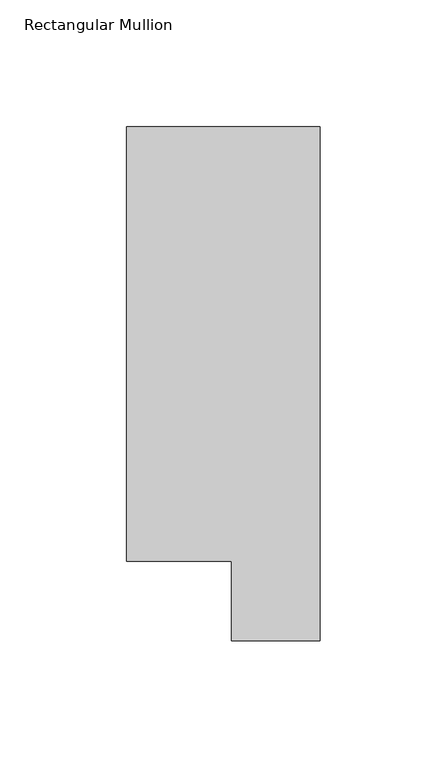
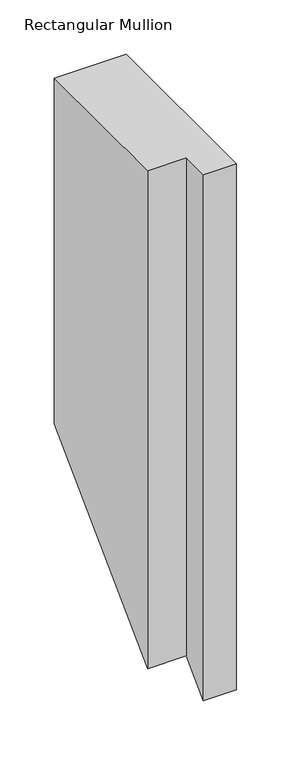
"""IFC4 building model written with IfcOpenShell, lengths in millimetres: member geometry, Rectangular Mullion."""

from ifc_helpers import new_model, si_unit, origin, place, context, project, spatial, faceted_brep, source, transform, mapped, element, save


def rectangular_mullion_b65d6d0e(model_context):
    return source(origin(), model_context, "Body", "Brep", [
        faceted_brep([(0.0, 222.0301313, 0.0), (-76.2, 222.0301313, 0.0), (-76.2, 50.820278, 0.0), (-34.9123, 50.820278, 0.0), (-34.9123, 19.5667312, 0.0), (0.0, 19.5667313, 0.0), (0.0, 222.0301313, -387.5381188), (-76.2, 222.0301313, -387.5381188), (-76.2, 50.820278, -558.747972), (-34.9123, 50.820278, -558.747972), (-34.9123, 19.5667312, -590.0015188), (0.0, 19.5667313, -590.0015188)], [[[0, 1, 2, 3, 4, 5]], [[1, 0, 6, 7]], [[2, 1, 7, 8]], [[3, 2, 8, 9]], [[4, 3, 9, 10]], [[5, 4, 10, 11]], [[0, 5, 11, 6]], [[6, 11, 10, 9, 8, 7]]]),
    ])


if __name__ == "__main__":
    model = new_model("IFC4")
    model_context = context("Model", 3, world=origin())
    ifc_project = project(units=[si_unit("LENGTHUNIT", "METRE", prefix="MILLI")], contexts=[model_context])
    site = spatial("IfcSite", under=ifc_project)
    building = spatial("IfcBuilding", under=site)
    placement = place(None, origin())
    rectangular_mullion_shape = rectangular_mullion_b65d6d0e(model_context)
    element("IfcMember", 1, ObjectType="Rectangular Mullion", at=placement, inside=building, context=model_context, shape_type="MappedRepresentation", body=[
        mapped(rectangular_mullion_shape, transform((0.0, 0.0, 0.0), x_axis=(1.0, 0.0, 0.0), y_axis=(0.0, 1.0, 0.0), z_axis=(0.0, 0.0, 1.0))),
    ])
    save(model, "model.ifc")
